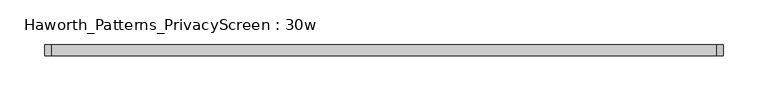
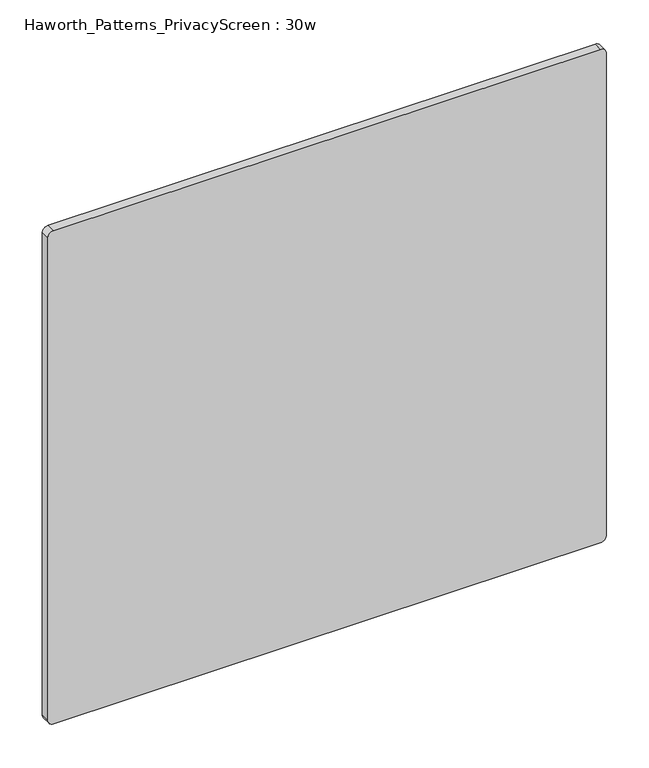
"""IFC4 building model written with IfcOpenShell, lengths in millimetres: furniture geometry, Haworth_Patterns_PrivacyScreen : 30w."""

from ifc_helpers import new_model, si_unit, point, frame, frame_2d, origin, place, context, project, spatial, polyline, circle_curve, trimmed, segment, composite_curve, outline, extrude, source, transform, mapped, element, save


def haworth_patterns_privacyscreen_30w_7edae6ac(model_context):
    return source(origin(), model_context, "Body", "SweptSolid", [
        extrude(outline(composite_curve([segment(polyline([(990.6, 373.0625), (990.6, -373.0625)]), True, "CONTINUOUS"), segment(trimmed(circle_curve(frame_2d((982.6625, -373.0625)), 7.9375), [point((990.6, -373.0625))], [point((982.6625, -381.0))], False, "CARTESIAN"), True, "CONTINUOUS"), segment(polyline([(982.6625, -381.0), (287.3375, -381.0)]), True, "CONTINUOUS"), segment(trimmed(circle_curve(frame_2d((287.3375, -373.0625)), 7.9375), [point((287.3375, -381.0))], [point((279.4, -373.0625))], False, "CARTESIAN"), True, "CONTINUOUS"), segment(polyline([(279.4, -373.0625), (279.4, 373.0625)]), True, "CONTINUOUS"), segment(trimmed(circle_curve(frame_2d((287.3375, 373.0625)), 7.9375), [point((279.4, 373.0625))], [point((287.3375, 381.0))], False, "CARTESIAN"), True, "CONTINUOUS"), segment(polyline([(287.3375, 381.0), (982.6625, 381.0)]), True, "CONTINUOUS"), segment(trimmed(circle_curve(frame_2d((982.6625, 373.0625)), 7.9375), [point((982.6625, 381.0))], [point((990.6, 373.0625))], False, "CARTESIAN"), True, "CONTINUOUS")], self_intersect=False)), frame((0.0, -6.35, 0.0), z_axis=(0.0, 1.0, 0.0), x_axis=(0.0, 0.0, 1.0)), (0.0, 0.0, 1.0), 12.7),
    ])


if __name__ == "__main__":
    model = new_model("IFC4")
    model_context = context("Model", 3, world=origin())
    ifc_project = project(units=[si_unit("LENGTHUNIT", "METRE", prefix="MILLI")], contexts=[model_context])
    site = spatial("IfcSite", under=ifc_project)
    building = spatial("IfcBuilding", under=site)
    placement = place(None, origin())
    haworth_patterns_privacyscreen_30w_shape = haworth_patterns_privacyscreen_30w_7edae6ac(model_context)
    element("IfcFurniture", 1, ObjectType="Haworth_Patterns_PrivacyScreen : 30w", at=placement, inside=building, context=model_context, shape_type="MappedRepresentation", body=[
        mapped(haworth_patterns_privacyscreen_30w_shape, transform((0.0, 0.0, 0.0), x_axis=(1.0, 0.0, 0.0), y_axis=(0.0, 1.0, 0.0), z_axis=(0.0, 0.0, 1.0))),
    ])
    save(model, "model.ifc")
